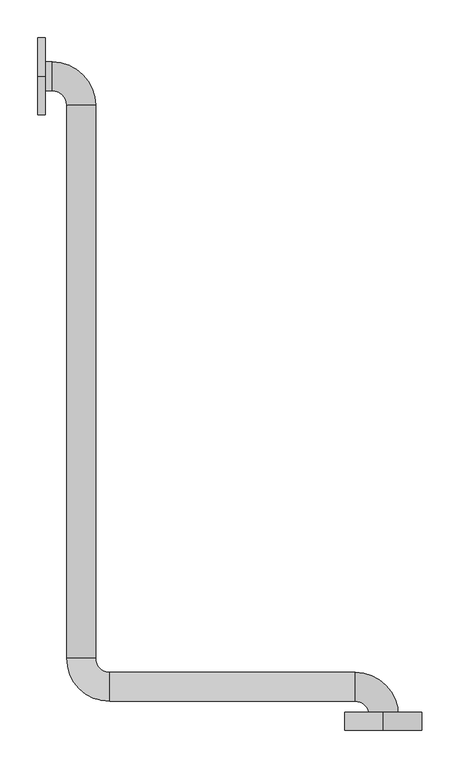
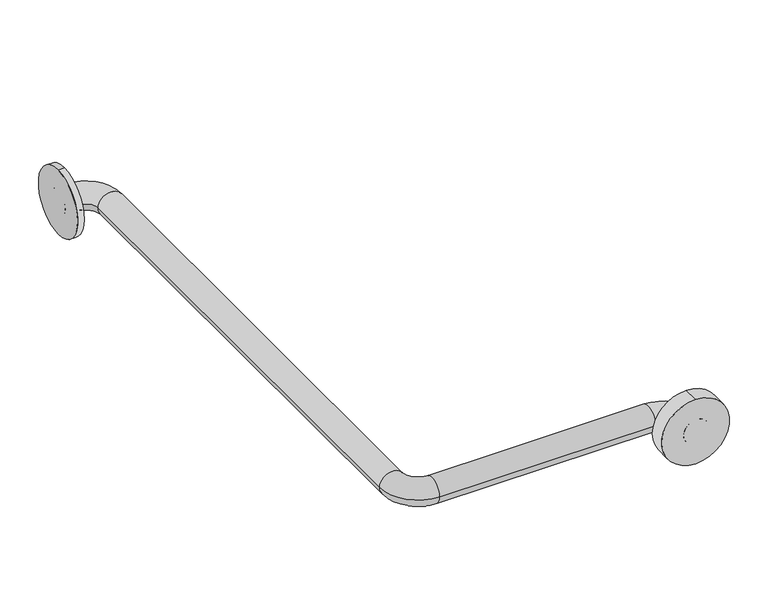
"""IFC4 building model written with IfcOpenShell, lengths in millimetres: proxy geometry."""

from ifc_helpers import new_model, si_unit, point, frame, frame_2d, origin, place, context, project, spatial, circle_curve, ellipse_curve, trimmed, segment, composite_curve, outline, extrude, source, transform, mapped, element, save
from ifc_brep_helpers import plane_surface, cylinder_surface, revolved_surface, advanced_brep


def generic_models_858d1d43(model_context):
    return source(origin(), model_context, "Body", "SolidModel", [
        extrude(outline(composite_curve([segment(trimmed(circle_curve(frame_2d((889.0, 456.3492842)), 50.8), [point((838.2, 456.3492842))], [point((939.8, 456.3492842))], False, "CARTESIAN"), True, "CONTINUOUS"), segment(trimmed(circle_curve(frame_2d((889.0, 456.3492842)), 50.8), [point((939.8, 456.3492842))], [point((838.2, 456.3492842))], False, "CARTESIAN"), True, "CONTINUOUS")], self_intersect=False)), frame((0.0, 61.9125, 0.0), z_axis=(0.0, 1.0, 0.0), x_axis=(0.0, 0.0, 1.0)), (0.0, 0.0, 1.0), 23.8125),
        extrude(outline(composite_curve([segment(trimmed(circle_curve(frame_2d((925.5125, 889.0)), 50.8), [point((925.5125, 838.2))], [point((925.5125, 939.8))], False, "CARTESIAN"), True, "CONTINUOUS"), segment(trimmed(circle_curve(frame_2d((925.5125, 889.0)), 50.8), [point((925.5125, 939.8))], [point((925.5125, 838.2))], False, "CARTESIAN"), True, "CONTINUOUS")], self_intersect=False)), frame((0.0, 0.0, 0.0), z_axis=(1.0, 0.0, 0.0), x_axis=(0.0, 1.0, 0.0)), (0.0, 0.0, 1.0), 9.525),
        advanced_brep(
        [(476.25, 61.9125, 889.0), (438.15, 61.9125, 889.0), (476.25, 80.9625, 889.0), (438.15, 80.9625, 889.0), (419.1, 100.0125, 889.0), (419.1, 138.1125, 889.0), (95.25, 138.1125, 889.0), (95.25, 100.0125, 889.0), (38.1, 157.1625, 889.0), (76.2, 157.1625, 889.0), (76.2, 887.4125, 889.0), (38.1, 887.4125, 889.0), (19.05, 906.4625, 889.0), (19.05, 944.5625, 889.0), (0.0, 944.5625, 889.0), (0.0, 906.4625, 889.0)],
        [
            (0, 1, circle_curve(frame((457.2, 61.9125, 889.0), z_axis=(0.0, -1.0, 0.0), x_axis=(-1.0, 0.0, 0.0)), 19.05)),
            (1, 0, circle_curve(frame((457.2, 61.9125, 889.0), z_axis=(0.0, -1.0, 0.0), x_axis=(-1.0, 0.0, 0.0)), 19.05)),
            (0, 2),
            (2, 3, circle_curve(frame((457.2, 80.9625, 889.0), z_axis=(0.0, -1.0, 0.0), x_axis=(-1.0, 0.0, 0.0)), 19.05)),
            (3, 1),
            (3, 2, circle_curve(frame((457.2, 80.9625, 889.0), z_axis=(0.0, -1.0, 0.0), x_axis=(-1.0, 0.0, 0.0)), 19.05)),
            (4, 3, circle_curve(frame((419.1, 80.9625, 889.0), z_axis=(0.0, 0.0, -1.0), x_axis=(1.0, 0.0, 0.0)), 19.05)),
            (2, 5, circle_curve(frame((419.1, 80.9625, 889.0), z_axis=(0.0, 0.0, 1.0), x_axis=(1.0, 0.0, 0.0)), 57.15)),
            (5, 4, circle_curve(frame((419.1, 119.0625, 889.0), z_axis=(1.0, 0.0, 0.0), x_axis=(0.0, -1.0, 0.0)), 19.05)),
            (4, 5, circle_curve(frame((419.1, 119.0625, 889.0), z_axis=(1.0, 0.0, 0.0), x_axis=(0.0, -1.0, 0.0)), 19.05)),
            (5, 6),
            (6, 7, circle_curve(frame((95.25, 119.0625, 889.0), z_axis=(1.0, 0.0, 0.0), x_axis=(0.0, -1.0, 0.0)), 19.05)),
            (7, 4),
            (7, 6, circle_curve(frame((95.25, 119.0625, 889.0), z_axis=(1.0, 0.0, 0.0), x_axis=(0.0, -1.0, 0.0)), 19.05)),
            (8, 7, circle_curve(frame((95.25, 157.1625, 889.0), z_axis=(0.0, 0.0, 1.0), x_axis=(0.0, -1.0, 0.0)), 57.15)),
            (6, 9, circle_curve(frame((95.25, 157.1625, 889.0), z_axis=(0.0, 0.0, -1.0), x_axis=(0.0, -1.0, 0.0)), 19.05)),
            (9, 8, circle_curve(frame((57.15, 157.1625, 889.0), z_axis=(0.0, -1.0, 0.0), x_axis=(-1.0, 0.0, 0.0)), 19.05)),
            (8, 9, circle_curve(frame((57.15, 157.1625, 889.0), z_axis=(0.0, -1.0, 0.0), x_axis=(-1.0, 0.0, 0.0)), 19.05)),
            (9, 10),
            (10, 11, circle_curve(frame((57.15, 887.4125, 889.0), z_axis=(0.0, -1.0, 0.0), x_axis=(-1.0, 0.0, 0.0)), 19.05)),
            (11, 8),
            (11, 10, circle_curve(frame((57.15, 887.4125, 889.0), z_axis=(0.0, -1.0, 0.0), x_axis=(-1.0, 0.0, 0.0)), 19.05)),
            (12, 11, circle_curve(frame((19.05, 887.4125, 889.0), z_axis=(0.0, 0.0, -1.0), x_axis=(1.0, 0.0, 0.0)), 19.05)),
            (10, 13, circle_curve(frame((19.05, 887.4125, 889.0), z_axis=(0.0, 0.0, 1.0), x_axis=(1.0, 0.0, 0.0)), 57.15)),
            (13, 12, circle_curve(frame((19.05, 925.5125, 889.0), z_axis=(1.0, 0.0, 0.0), x_axis=(0.0, -1.0, 0.0)), 19.05)),
            (12, 13, circle_curve(frame((19.05, 925.5125, 889.0), z_axis=(1.0, 0.0, 0.0), x_axis=(0.0, -1.0, 0.0)), 19.05)),
            (14, 15, circle_curve(frame((0.0, 925.5125, 889.0), z_axis=(-1.0, 0.0, 0.0), x_axis=(0.0, -1.0, 0.0)), 19.05)),
            (15, 14, circle_curve(frame((0.0, 925.5125, 889.0), z_axis=(-1.0, 0.0, 0.0), x_axis=(0.0, -1.0, 0.0)), 19.05)),
            (13, 14),
            (15, 12),
        ],
        [
            plane_surface(frame((457.2, 61.9125, 889.0), z_axis=(0.0, -1.0, 0.0), x_axis=(0.0, 0.0, 1.0))),
            cylinder_surface(frame((457.2, 61.9125, 889.0), z_axis=(0.0, -1.0, 0.0), x_axis=(-1.0, 0.0, 0.0)), 19.05),
            revolved_surface(trimmed(ellipse_curve(frame((457.2, 80.9625, 889.0), z_axis=(0.0, -1.0, 0.0), x_axis=(-1.0, 0.0, 0.0)), 19.05, 19.05), [point((476.25, 80.9625, 889.0))], [point((438.15, 80.9625, 889.0))], True, "CARTESIAN"), (419.1, 80.9625, 889.0), (0.0, 0.0, 1.0)),
            revolved_surface(trimmed(ellipse_curve(frame((457.2, 80.9625, 889.0), z_axis=(0.0, -1.0, 0.0), x_axis=(-1.0, 0.0, 0.0)), 19.05, 19.05), [point((438.15, 80.9625, 889.0))], [point((476.25, 80.9625, 889.0))], True, "CARTESIAN"), (419.1, 80.9625, 889.0), (0.0, 0.0, 1.0)),
            cylinder_surface(frame((419.1, 119.0625, 889.0), z_axis=(1.0, 0.0, 0.0), x_axis=(0.0, -1.0, 0.0)), 19.05),
            revolved_surface(trimmed(ellipse_curve(frame((95.25, 119.0625, 889.0), z_axis=(1.0, 0.0, 0.0), x_axis=(0.0, -1.0, 0.0)), 19.05, 19.05), [point((95.25, 138.1125, 889.0))], [point((95.25, 100.0125, 889.0))], True, "CARTESIAN"), (95.25, 157.1625, 889.0), (0.0, 0.0, -1.0)),
            revolved_surface(trimmed(ellipse_curve(frame((95.25, 119.0625, 889.0), z_axis=(1.0, 0.0, 0.0), x_axis=(0.0, -1.0, 0.0)), 19.05, 19.05), [point((95.25, 100.0125, 889.0))], [point((95.25, 138.1125, 889.0))], True, "CARTESIAN"), (95.25, 157.1625, 889.0), (0.0, 0.0, -1.0)),
            cylinder_surface(frame((57.15, 157.1625, 889.0), z_axis=(0.0, -1.0, 0.0), x_axis=(-1.0, 0.0, 0.0)), 19.05),
            revolved_surface(trimmed(ellipse_curve(frame((57.15, 887.4125, 889.0), z_axis=(0.0, -1.0, 0.0), x_axis=(-1.0, 0.0, 0.0)), 19.05, 19.05), [point((76.2, 887.4125, 889.0))], [point((38.1, 887.4125, 889.0))], True, "CARTESIAN"), (19.05, 887.4125, 889.0), (0.0, 0.0, 1.0)),
            revolved_surface(trimmed(ellipse_curve(frame((57.15, 887.4125, 889.0), z_axis=(0.0, -1.0, 0.0), x_axis=(-1.0, 0.0, 0.0)), 19.05, 19.05), [point((38.1, 887.4125, 889.0))], [point((76.2, 887.4125, 889.0))], True, "CARTESIAN"), (19.05, 887.4125, 889.0), (0.0, 0.0, 1.0)),
            plane_surface(frame((0.0, 925.5125, 889.0), z_axis=(-1.0, 0.0, 0.0), x_axis=(0.0, 0.0, 1.0))),
            cylinder_surface(frame((19.05, 925.5125, 889.0), z_axis=(1.0, 0.0, 0.0), x_axis=(0.0, -1.0, 0.0)), 19.05),
        ],
        [
            (0, [[1, 2]]),
            (1, [[-1, 3, 4, 5]]),
            (1, [[-2, -5, 6, -3]]),
            (2, [[7, -4, 8, 9]]),
            (3, [[-8, -6, -7, 10]]),
            (4, [[-9, 11, 12, 13]]),
            (4, [[-10, -13, 14, -11]]),
            (5, [[15, -12, 16, 17]]),
            (6, [[-16, -14, -15, 18]]),
            (7, [[-17, 19, 20, 21]]),
            (7, [[-18, -21, 22, -19]]),
            (8, [[23, -20, 24, 25]]),
            (9, [[-24, -22, -23, 26]]),
            (10, [[27, 28]]),
            (11, [[-25, 29, -28, 30]]),
            (11, [[-26, -30, -27, -29]]),
        ],
    ),
    ])


if __name__ == "__main__":
    model = new_model("IFC4")
    model_context = context("Model", 3, world=origin())
    ifc_project = project(units=[si_unit("LENGTHUNIT", "METRE", prefix="MILLI")], contexts=[model_context])
    site = spatial("IfcSite", under=ifc_project)
    building = spatial("IfcBuilding", under=site)
    placement = place(None, origin())
    generic_models_shape = generic_models_858d1d43(model_context)
    element("IfcBuildingElementProxy", 1, Name="Generic Models", at=placement, inside=building, context=model_context, shape_type="MappedRepresentation", body=[
        mapped(generic_models_shape, transform((0.0, 0.0, 0.0), x_axis=(1.0, 0.0, 0.0), y_axis=(0.0, 1.0, 0.0), z_axis=(0.0, 0.0, 1.0))),
    ])
    save(model, "model.ifc")
